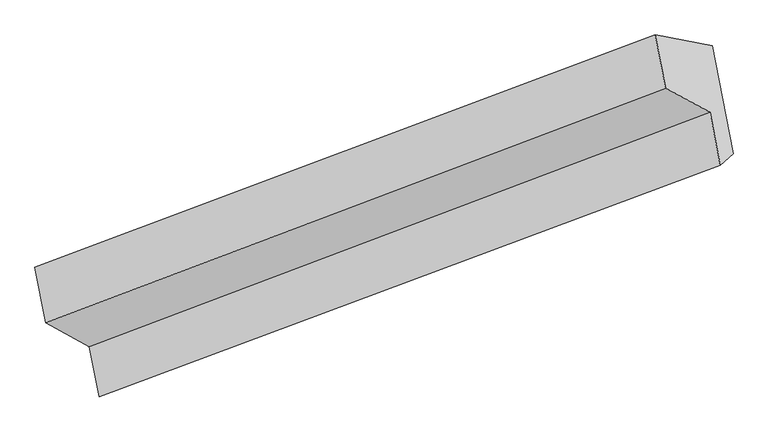
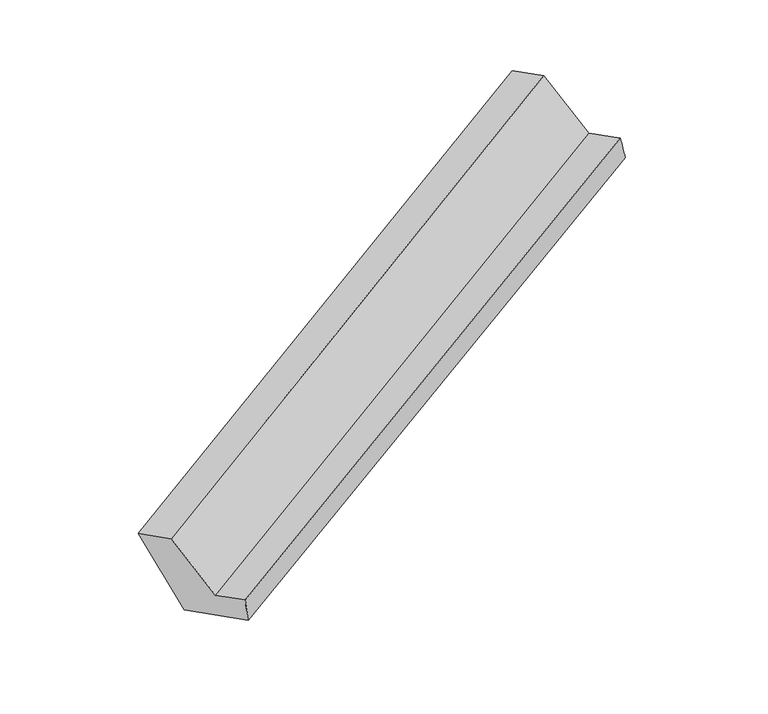
"""IFC4 building model written with IfcOpenShell, lengths in millimetres: proxy geometry."""

from ifc_helpers import new_model, si_unit, frame, origin, place, context, project, spatial, source, transform, mapped, element, save
from ifc_brep_helpers import plane_surface, spline_surface, advanced_brep


def generic_models_52a6aa25(model_context):
    return source(origin(), model_context, "Body", "AdvancedBrep", [
        advanced_brep(
        [(-4741.5707575, -2634.062076, 764.7885757), (-4883.7115372, -1898.6140813, 464.1377817), (-668.7520102, -351.3403755, 2363.7083564), (-526.6112305, -1086.7883702, 2664.3591503), (-5264.0238745, -1853.5935742, 1284.810449), (-1054.3474599, -278.9846135, 3173.2063844), (-5190.8065002, -2232.4262439, 1439.677066), (-984.6521606, -639.5937799, 3320.6232418), (-4893.6602387, -2393.591265, 904.9534059), (-682.8087751, -803.3064087, 2777.4469654), (-4827.8300782, -2734.2018876, 1044.194868), (-613.4565397, -1162.1405345, 2924.1381871)],
        [
            (0, 1),
            (1, 2),
            (2, 3),
            (3, 0),
            (1, 4),
            (4, 5),
            (5, 2),
            (4, 6),
            (6, 7),
            (7, 5),
            (6, 8),
            (8, 9),
            (9, 7),
            (8, 10),
            (10, 11),
            (11, 9),
            (10, 0),
            (3, 11),
        ],
        [
            plane_surface(frame((-4812.6411474, -2266.3380786, 614.4631787), z_axis=(0.4732573964723819, -0.2534301741616579, -0.8436827505102701), x_axis=(-0.17610374770445983, 0.911175162504486, -0.37248797736217937))),
            spline_surface(1, 1, [[(-4883.7115372, -1898.6140813, 464.1377817), (-668.7520102, -351.3403755, 2363.7083564)], [(-5264.0238745, -1853.5935742, 1284.810449), (-1054.3474599, -278.9846135, 3173.2063844)]], [2, 2], [2, 2], [0.0, 1.0], [0.0, 1.0]),
            plane_surface(frame((-5227.4151873, -2043.009909, 1362.2437575), z_axis=(-0.47325739647238196, 0.2534301741616542, 0.8436827505102711), x_axis=(0.1761037477044708, -0.9111751625044835, 0.37248797736218037))),
            plane_surface(frame((-5042.2333694, -2313.0087545, 1172.3152359), z_axis=(0.17787786433139552, -0.9105090186379294, 0.3732730801436081), x_axis=(0.46971239734782955, -0.25476076348269266, -0.8452616264609853))),
            plane_surface(frame((-4860.7451584, -2563.8965763, 974.5741369), z_axis=(-0.47148589627738025, 0.25409600058857645, 0.8444739617634197), x_axis=(0.17610374770447082, -0.9111751625044835, 0.3724879773621805))),
            spline_surface(1, 1, [[(-4827.8300782, -2734.2018876, 1044.194868), (-613.4565397, -1162.1405345, 2924.1381871)], [(-4741.5707575, -2634.062076, 764.7885757), (-526.6112305, -1086.7883702, 2664.3591503)]], [2, 2], [2, 2], [0.0, 1.0], [0.0, 1.0]),
            plane_surface(frame((-755.104696, -720.3590137, 2870.5803809), z_axis=(0.8650767213503083, 0.3238159610405883, 0.38312594476641937), x_axis=(0.17610374770447082, -0.9111751625044835, 0.3724879773621805))),
            plane_surface(frame((-4966.933831, -2291.0815213, 983.7603577), z_axis=(-0.8650767213503232, -0.32381596104058064, -0.3831259447663924), x_axis=(-0.2790752393773061, -0.32398286519505265, 0.9039646640364345))),
        ],
        [
            (0, [[1, 2, 3, 4]]),
            (1, [[5, 6, 7, -2]]),
            (2, [[8, 9, 10, -6]]),
            (3, [[11, 12, 13, -9]]),
            (4, [[14, 15, 16, -12]]),
            (5, [[17, -4, 18, -15]]),
            (6, [[-16, -18, -3, -7, -10, -13]]),
            (7, [[-17, -14, -11, -8, -5, -1]]),
        ],
    ),
    ])


if __name__ == "__main__":
    model = new_model("IFC4")
    model_context = context("Model", 3, world=origin())
    ifc_project = project(units=[si_unit("LENGTHUNIT", "METRE", prefix="MILLI")], contexts=[model_context])
    site = spatial("IfcSite", under=ifc_project)
    building = spatial("IfcBuilding", under=site)
    placement = place(None, origin())
    generic_models_shape = generic_models_52a6aa25(model_context)
    element("IfcBuildingElementProxy", 1, Name="Generic Models", at=placement, inside=building, context=model_context, shape_type="MappedRepresentation", body=[
        mapped(generic_models_shape, transform((0.0, 0.0, 0.0), x_axis=(1.0, 0.0, 0.0), y_axis=(0.0, 1.0, 0.0), z_axis=(0.0, 0.0, 1.0))),
    ])
    save(model, "model.ifc")
